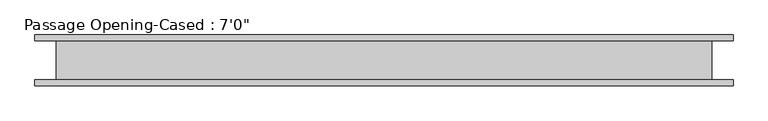
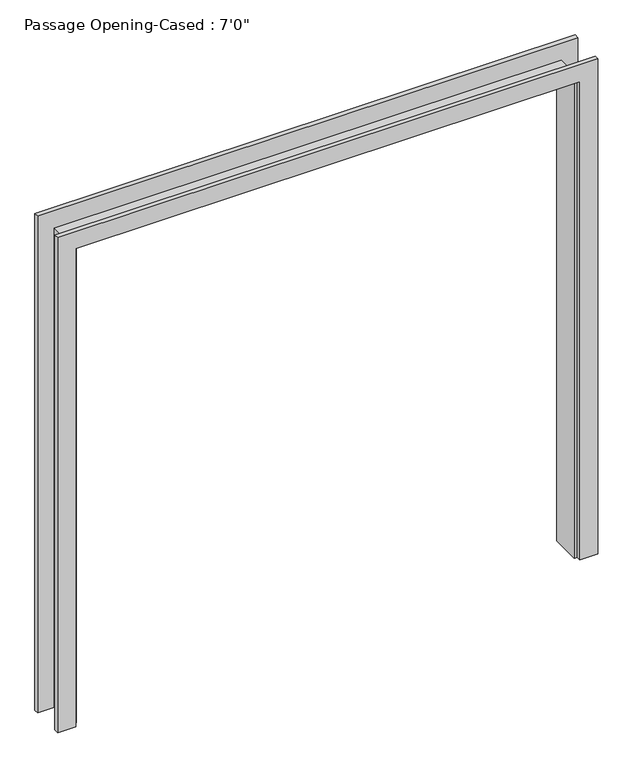
"""IFC4 building model written with IfcOpenShell, lengths in millimetres: proxy geometry."""

from ifc_helpers import new_model, si_unit, frame, origin, place, context, project, spatial, polyline, outline, extrude, faceted_brep, source, transform, mapped, element, save


def proxy_0290a33a(model_context):
    return source(origin(), model_context, "Body", "SolidModel", [
        extrude(outline(polyline([(0.0, -1068.6386567), (2127.25, -1068.6386567), (2127.25, 1052.2613433), (0.0, 1052.2613433), (0.0, 1128.4613433), (2203.45, 1128.4613433), (2203.45, -1144.8386567), (0.0, -1144.8386567), (0.0, -1068.6386567)])), frame((0.0, -82.55, 0.0), z_axis=(0.0, 1.0, 0.0), x_axis=(0.0, 0.0, 1.0)), (0.0, 0.0, 1.0), 19.05),
        extrude(outline(polyline([(0.0, 1128.4613433), (2209.8, 1128.4613433), (2209.8, -1144.8386567), (0.0, -1144.8386567), (0.0, -1068.6386567), (2127.25, -1068.6386567), (2127.25, 1052.2613433), (0.0, 1052.2613433), (0.0, 1128.4613433)])), frame((0.0, 63.5, 0.0), z_axis=(0.0, 1.0, 0.0), x_axis=(0.0, 0.0, 1.0)), (0.0, 0.0, 1.0), 19.05),
        faceted_brep([(1039.5613433, 63.5, 0.0), (1058.6113433, 63.5, 0.0), (1058.6113433, -63.5, 0.0), (1039.5613433, -63.5, 0.0), (1039.5613433, 63.5, 2114.55), (1058.6113433, 63.5, 2133.6), (1058.6113433, -63.5, 2133.6), (1039.5613433, -63.5, 2114.55), (-1055.9386567, 63.5, 2114.55), (-1074.9886567, 63.5, 2133.6), (-1074.9886567, -63.5, 2133.6), (-1055.9386567, -63.5, 2114.55), (-1055.9386567, 63.5, 0.0), (-1055.9386567, -63.5, 0.0), (-1074.9886567, -63.5, 0.0), (-1074.9886567, 63.5, 0.0)], [[[0, 1, 2, 3]], [[1, 0, 4, 5]], [[2, 1, 5, 6]], [[3, 2, 6, 7]], [[0, 3, 7, 4]], [[5, 4, 8, 9]], [[6, 5, 9, 10]], [[7, 6, 10, 11]], [[4, 7, 11, 8]], [[12, 13, 14, 15]], [[9, 8, 12, 15]], [[10, 9, 15, 14]], [[11, 10, 14, 13]], [[8, 11, 13, 12]]]),
    ])


if __name__ == "__main__":
    model = new_model("IFC4")
    model_context = context("Model", 3, world=origin())
    ifc_project = project(units=[si_unit("LENGTHUNIT", "METRE", prefix="MILLI")], contexts=[model_context])
    site = spatial("IfcSite", under=ifc_project)
    building = spatial("IfcBuilding", under=site)
    placement = place(None, origin())
    proxy_shape = proxy_0290a33a(model_context)
    element("IfcBuildingElementProxy", 1, Name="Passage Opening-Cased : 7'0\"", ObjectType="Passage Opening-Cased : 7'0\"", at=placement, inside=building, context=model_context, shape_type="MappedRepresentation", body=[
        mapped(proxy_shape, transform((0.0, 0.0, 0.0), x_axis=(1.0, 0.0, 0.0), y_axis=(0.0, 1.0, 0.0), z_axis=(0.0, 0.0, 1.0))),
    ])
    save(model, "model.ifc")
